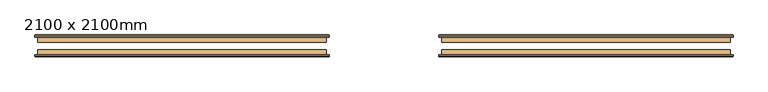
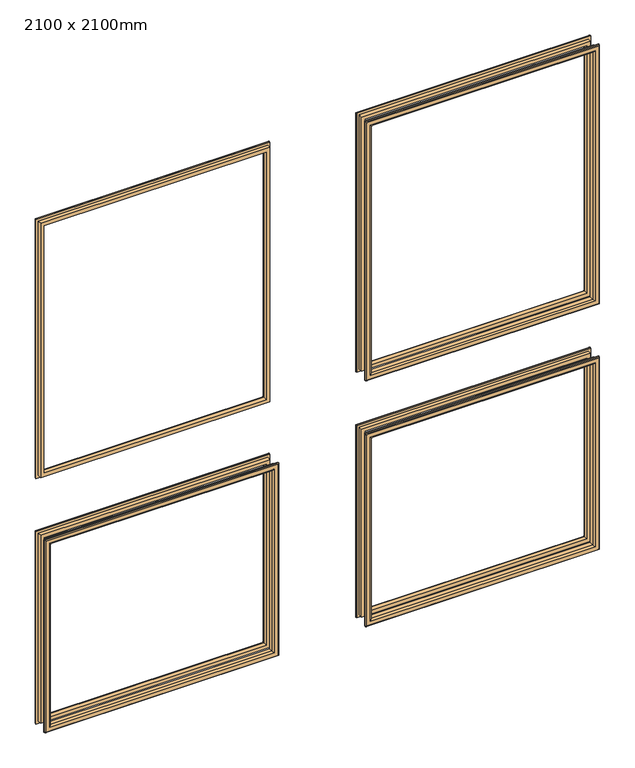
"""IFC4 building model written with IfcOpenShell, lengths in millimetres: door geometry, 2100 x 2100mm."""

from ifc_helpers import new_model, si_unit, frame, origin, place, context, project, spatial, ellipse_curve, source, transform, mapped, element, save
from ifc_brep_helpers import plane_surface, cylinder_surface, advanced_brep


def door_2100_x_2100mm_6a0c21b3(model_context):
    return source(origin(), model_context, "Body", "AdvancedBrep", [
        advanced_brep(
        [(-900.0, 178.85, 900.0), (-900.0, 191.35, 900.0), (-900.0, 191.35, 250.0), (-900.0, 178.85, 250.0), (-888.0, 192.35, 888.0), (-888.0, 178.85, 888.0), (-888.0, 178.85, 262.0), (-888.0, 192.35, 262.0), (-893.0, 197.35, 893.0), (-893.0, 197.35, 257.0), (-908.0, 195.35, 908.0), (-906.0, 197.35, 906.0), (-906.0, 197.35, 244.0), (-908.0, 195.35, 242.0), (-908.0, 191.35, 908.0), (-908.0, 191.35, 242.0), (-150.0, 191.35, 250.0), (-150.0, 178.85, 250.0), (-162.0, 178.85, 262.0), (-162.0, 192.35, 262.0), (-157.0, 197.35, 257.0), (-144.0, 197.35, 244.0), (-142.0, 195.35, 242.0), (-142.0, 191.35, 242.0), (-150.0, 191.35, 900.0), (-150.0, 178.85, 900.0), (-162.0, 178.85, 888.0), (-162.0, 192.35, 888.0), (-157.0, 197.35, 893.0), (-144.0, 197.35, 906.0), (-142.0, 195.35, 908.0), (-142.0, 191.35, 908.0)],
        [
            (0, 1),
            (1, 2),
            (2, 3),
            (3, 0),
            (4, 5),
            (5, 6),
            (6, 7),
            (7, 4),
            (8, 4, ellipse_curve(frame((-893.0, 192.35, 893.0), z_axis=(-0.7071067811865475, 0.0, -0.7071067811865475), x_axis=(-0.7071067811865474, 0.0, 0.7071067811865476)), 7.0710678, 5.0)),
            (7, 9, ellipse_curve(frame((-893.0, 192.35, 257.0), z_axis=(-0.7071067811865475, 0.0, 0.7071067811865475), x_axis=(0.7071067811865474, 0.0, 0.7071067811865476)), 7.0710678, 5.0)),
            (9, 8),
            (10, 11, ellipse_curve(frame((-906.0, 195.35, 906.0), z_axis=(-0.7071067811865475, 0.0, -0.7071067811865475), x_axis=(-0.7071067811865474, 0.0, 0.7071067811865476)), 2.8284271, 2.0)),
            (11, 12),
            (12, 13, ellipse_curve(frame((-906.0, 195.35, 244.0), z_axis=(-0.7071067811865475, 0.0, 0.7071067811865475), x_axis=(0.7071067811865474, 0.0, 0.7071067811865476)), 2.8284271, 2.0)),
            (13, 10),
            (14, 10),
            (13, 15),
            (15, 14),
            (2, 16),
            (16, 17),
            (17, 3),
            (6, 18),
            (18, 19),
            (19, 7),
            (19, 20, ellipse_curve(frame((-157.0, 192.35, 257.0), z_axis=(-0.7071067811865475, 0.0, -0.7071067811865475), x_axis=(-0.7071067811865476, 0.0, 0.7071067811865474)), 7.0710678, 5.0)),
            (20, 9),
            (12, 21),
            (21, 22, ellipse_curve(frame((-144.0, 195.35, 244.0), z_axis=(-0.7071067811865475, 0.0, -0.7071067811865475), x_axis=(-0.7071067811865476, 0.0, 0.7071067811865474)), 2.8284271, 2.0)),
            (22, 13),
            (22, 23),
            (23, 15),
            (16, 24),
            (24, 25),
            (25, 17),
            (18, 26),
            (26, 27),
            (27, 19),
            (27, 28, ellipse_curve(frame((-157.0, 192.35, 893.0), z_axis=(0.7071067811865475, 0.0, -0.7071067811865475), x_axis=(-0.7071067811865474, 0.0, -0.7071067811865476)), 7.0710678, 5.0)),
            (28, 20),
            (21, 29),
            (29, 30, ellipse_curve(frame((-144.0, 195.35, 906.0), z_axis=(0.7071067811865475, 0.0, -0.7071067811865475), x_axis=(-0.7071067811865474, 0.0, -0.7071067811865476)), 2.8284271, 2.0)),
            (30, 22),
            (30, 31),
            (31, 23),
            (31, 14),
            (1, 24),
            (0, 25),
            (5, 26),
            (4, 27),
            (8, 28),
            (11, 29),
            (10, 30),
        ],
        [
            plane_surface(frame((-900.0, 191.35, 900.0), z_axis=(-1.0, 0.0, 0.0), x_axis=(0.0, 0.0, -1.0))),
            plane_surface(frame((-888.0, 178.85, 888.0), z_axis=(1.0, 0.0, 0.0), x_axis=(0.0, 0.0, -1.0))),
            cylinder_surface(frame((-893.0, 192.35, 900.0), z_axis=(0.0, 0.0, 1.0), x_axis=(-1.0, 0.0, 0.0)), 5.0),
            cylinder_surface(frame((-906.0, 195.35, 900.0), z_axis=(0.0, 0.0, 1.0), x_axis=(-1.0, 0.0, 0.0)), 2.0),
            plane_surface(frame((-908.0, 195.35, 908.0), z_axis=(-1.0, 0.0, 0.0), x_axis=(0.0, 0.0, -1.0))),
            plane_surface(frame((-900.0, 191.35, 250.0), z_axis=(0.0, 0.0, -1.0), x_axis=(1.0, 0.0, 0.0))),
            plane_surface(frame((-888.0, 178.85, 262.0), z_axis=(0.0, 0.0, 1.0), x_axis=(1.0, 0.0, 0.0))),
            cylinder_surface(frame((-900.0, 192.35, 257.0), z_axis=(-1.0, 0.0, 0.0), x_axis=(0.0, 0.0, -1.0)), 5.0),
            cylinder_surface(frame((-900.0, 195.35, 244.0), z_axis=(-1.0, 0.0, 0.0), x_axis=(0.0, 0.0, -1.0)), 2.0),
            plane_surface(frame((-908.0, 195.35, 242.0), z_axis=(0.0, 0.0, -1.0), x_axis=(1.0, 0.0, 0.0))),
            plane_surface(frame((-150.0, 191.35, 250.0), z_axis=(1.0, 0.0, 0.0), x_axis=(0.0, 0.0, 1.0))),
            plane_surface(frame((-162.0, 178.85, 262.0), z_axis=(-1.0, 0.0, 0.0), x_axis=(0.0, 0.0, 1.0))),
            cylinder_surface(frame((-157.0, 192.35, 250.0), z_axis=(0.0, 0.0, -1.0), x_axis=(1.0, 0.0, 0.0)), 5.0),
            cylinder_surface(frame((-144.0, 195.35, 250.0), z_axis=(0.0, 0.0, -1.0), x_axis=(1.0, 0.0, 0.0)), 2.0),
            plane_surface(frame((-142.0, 195.35, 242.0), z_axis=(1.0, 0.0, 0.0), x_axis=(0.0, 0.0, 1.0))),
            plane_surface(frame((-142.0, 191.35, 908.0), z_axis=(0.0, -1.0, 0.0), x_axis=(-1.0, 0.0, 0.0))),
            plane_surface(frame((-150.0, 191.35, 900.0), z_axis=(0.0, 0.0, 1.0), x_axis=(-1.0, 0.0, 0.0))),
            plane_surface(frame((-150.0, 178.85, 900.0), z_axis=(0.0, -1.0, 0.0), x_axis=(-1.0, 0.0, 0.0))),
            plane_surface(frame((-162.0, 178.85, 888.0), z_axis=(0.0, 0.0, -1.0), x_axis=(-1.0, 0.0, 0.0))),
            cylinder_surface(frame((-150.0, 192.35, 893.0), z_axis=(1.0, 0.0, 0.0), x_axis=(0.0, 0.0, 1.0)), 5.0),
            plane_surface(frame((-157.0, 197.35, 893.0), z_axis=(0.0, 1.0, 0.0), x_axis=(-1.0, 0.0, 0.0))),
            cylinder_surface(frame((-150.0, 195.35, 906.0), z_axis=(1.0, 0.0, 0.0), x_axis=(0.0, 0.0, 1.0)), 2.0),
            plane_surface(frame((-142.0, 195.35, 908.0), z_axis=(0.0, 0.0, 1.0), x_axis=(-1.0, 0.0, 0.0))),
        ],
        [
            (0, [[1, 2, 3, 4]]),
            (1, [[5, 6, 7, 8]]),
            (2, [[9, -8, 10, 11]]),
            (3, [[12, 13, 14, 15]]),
            (4, [[16, -15, 17, 18]]),
            (5, [[-3, 19, 20, 21]]),
            (6, [[-7, 22, 23, 24]]),
            (7, [[-10, -24, 25, 26]]),
            (8, [[-14, 27, 28, 29]]),
            (9, [[-17, -29, 30, 31]]),
            (10, [[-20, 32, 33, 34]]),
            (11, [[-23, 35, 36, 37]]),
            (12, [[-25, -37, 38, 39]]),
            (13, [[-28, 40, 41, 42]]),
            (14, [[-30, -42, 43, 44]]),
            (15, [[-31, -44, 45, -18], [46, -32, -19, -2]]),
            (16, [[-33, -46, -1, 47]]),
            (17, [[-21, -34, -47, -4], [48, -35, -22, -6]]),
            (18, [[-36, -48, -5, 49]]),
            (19, [[-38, -49, -9, 50]]),
            (20, [[51, -40, -27, -13], [-26, -39, -50, -11]]),
            (21, [[-41, -51, -12, 52]]),
            (22, [[-43, -52, -16, -45]]),
        ],
    ),
        advanced_brep(
        [(150.0, 178.85, 900.0), (150.0, 191.35, 900.0), (150.0, 191.35, 250.0), (150.0, 178.85, 250.0), (162.0, 192.35, 888.0), (162.0, 178.85, 888.0), (162.0, 178.85, 262.0), (162.0, 192.35, 262.0), (157.0, 197.35, 893.0), (157.0, 197.35, 257.0), (142.0, 195.35, 908.0), (144.0, 197.35, 906.0), (144.0, 197.35, 244.0), (142.0, 195.35, 242.0), (142.0, 191.35, 908.0), (142.0, 191.35, 242.0), (900.0, 191.35, 250.0), (900.0, 178.85, 250.0), (888.0, 178.85, 262.0), (888.0, 192.35, 262.0), (893.0, 197.35, 257.0), (906.0, 197.35, 244.0), (908.0, 195.35, 242.0), (908.0, 191.35, 242.0), (900.0, 191.35, 900.0), (900.0, 178.85, 900.0), (888.0, 178.85, 888.0), (888.0, 192.35, 888.0), (893.0, 197.35, 893.0), (906.0, 197.35, 906.0), (908.0, 195.35, 908.0), (908.0, 191.35, 908.0)],
        [
            (0, 1),
            (1, 2),
            (2, 3),
            (3, 0),
            (4, 5),
            (5, 6),
            (6, 7),
            (7, 4),
            (8, 4, ellipse_curve(frame((157.0, 192.35, 893.0), z_axis=(-0.7071067811865475, 0.0, -0.7071067811865475), x_axis=(-0.7071067811865474, 0.0, 0.7071067811865476)), 7.0710678, 5.0)),
            (7, 9, ellipse_curve(frame((157.0, 192.35, 257.0), z_axis=(-0.7071067811865475, 0.0, 0.7071067811865475), x_axis=(0.7071067811865474, 0.0, 0.7071067811865476)), 7.0710678, 5.0)),
            (9, 8),
            (10, 11, ellipse_curve(frame((144.0, 195.35, 906.0), z_axis=(-0.7071067811865475, 0.0, -0.7071067811865475), x_axis=(-0.7071067811865474, 0.0, 0.7071067811865476)), 2.8284271, 2.0)),
            (11, 12),
            (12, 13, ellipse_curve(frame((144.0, 195.35, 244.0), z_axis=(-0.7071067811865475, 0.0, 0.7071067811865475), x_axis=(0.7071067811865474, 0.0, 0.7071067811865476)), 2.8284271, 2.0)),
            (13, 10),
            (14, 10),
            (13, 15),
            (15, 14),
            (2, 16),
            (16, 17),
            (17, 3),
            (6, 18),
            (18, 19),
            (19, 7),
            (19, 20, ellipse_curve(frame((893.0, 192.35, 257.0), z_axis=(-0.7071067811865475, 0.0, -0.7071067811865475), x_axis=(-0.7071067811865476, 0.0, 0.7071067811865474)), 7.0710678, 5.0)),
            (20, 9),
            (12, 21),
            (21, 22, ellipse_curve(frame((906.0, 195.35, 244.0), z_axis=(-0.7071067811865475, 0.0, -0.7071067811865475), x_axis=(-0.7071067811865476, 0.0, 0.7071067811865474)), 2.8284271, 2.0)),
            (22, 13),
            (22, 23),
            (23, 15),
            (16, 24),
            (24, 25),
            (25, 17),
            (18, 26),
            (26, 27),
            (27, 19),
            (27, 28, ellipse_curve(frame((893.0, 192.35, 893.0), z_axis=(0.7071067811865475, 0.0, -0.7071067811865475), x_axis=(-0.7071067811865474, 0.0, -0.7071067811865476)), 7.0710678, 5.0)),
            (28, 20),
            (21, 29),
            (29, 30, ellipse_curve(frame((906.0, 195.35, 906.0), z_axis=(0.7071067811865475, 0.0, -0.7071067811865475), x_axis=(-0.7071067811865474, 0.0, -0.7071067811865476)), 2.8284271, 2.0)),
            (30, 22),
            (30, 31),
            (31, 23),
            (31, 14),
            (1, 24),
            (0, 25),
            (5, 26),
            (4, 27),
            (8, 28),
            (11, 29),
            (10, 30),
        ],
        [
            plane_surface(frame((150.0, 191.35, 900.0), z_axis=(-1.0, 0.0, 0.0), x_axis=(0.0, 0.0, -1.0))),
            plane_surface(frame((162.0, 178.85, 888.0), z_axis=(1.0, 0.0, 0.0), x_axis=(0.0, 0.0, -1.0))),
            cylinder_surface(frame((157.0, 192.35, 900.0), z_axis=(0.0, 0.0, 1.0), x_axis=(-1.0, 0.0, 0.0)), 5.0),
            cylinder_surface(frame((144.0, 195.35, 900.0), z_axis=(0.0, 0.0, 1.0), x_axis=(-1.0, 0.0, 0.0)), 2.0),
            plane_surface(frame((142.0, 195.35, 908.0), z_axis=(-1.0, 0.0, 0.0), x_axis=(0.0, 0.0, -1.0))),
            plane_surface(frame((150.0, 191.35, 250.0), z_axis=(0.0, 0.0, -1.0), x_axis=(1.0, 0.0, 0.0))),
            plane_surface(frame((162.0, 178.85, 262.0), z_axis=(0.0, 0.0, 1.0), x_axis=(1.0, 0.0, 0.0))),
            cylinder_surface(frame((150.0, 192.35, 257.0), z_axis=(-1.0, 0.0, 0.0), x_axis=(0.0, 0.0, -1.0)), 5.0),
            cylinder_surface(frame((150.0, 195.35, 244.0), z_axis=(-1.0, 0.0, 0.0), x_axis=(0.0, 0.0, -1.0)), 2.0),
            plane_surface(frame((142.0, 195.35, 242.0), z_axis=(0.0, 0.0, -1.0), x_axis=(1.0, 0.0, 0.0))),
            plane_surface(frame((900.0, 191.35, 250.0), z_axis=(1.0, 0.0, 0.0), x_axis=(0.0, 0.0, 1.0))),
            plane_surface(frame((888.0, 178.85, 262.0), z_axis=(-1.0, 0.0, 0.0), x_axis=(0.0, 0.0, 1.0))),
            cylinder_surface(frame((893.0, 192.35, 250.0), z_axis=(0.0, 0.0, -1.0), x_axis=(1.0, 0.0, 0.0)), 5.0),
            cylinder_surface(frame((906.0, 195.35, 250.0), z_axis=(0.0, 0.0, -1.0), x_axis=(1.0, 0.0, 0.0)), 2.0),
            plane_surface(frame((908.0, 195.35, 242.0), z_axis=(1.0, 0.0, 0.0), x_axis=(0.0, 0.0, 1.0))),
            plane_surface(frame((908.0, 191.35, 908.0), z_axis=(0.0, -1.0, 0.0), x_axis=(-1.0, 0.0, 0.0))),
            plane_surface(frame((900.0, 191.35, 900.0), z_axis=(0.0, 0.0, 1.0), x_axis=(-1.0, 0.0, 0.0))),
            plane_surface(frame((900.0, 178.85, 900.0), z_axis=(0.0, -1.0, 0.0), x_axis=(-1.0, 0.0, 0.0))),
            plane_surface(frame((888.0, 178.85, 888.0), z_axis=(0.0, 0.0, -1.0), x_axis=(-1.0, 0.0, 0.0))),
            cylinder_surface(frame((900.0, 192.35, 893.0), z_axis=(1.0, 0.0, 0.0), x_axis=(0.0, 0.0, 1.0)), 5.0),
            plane_surface(frame((893.0, 197.35, 893.0), z_axis=(0.0, 1.0, 0.0), x_axis=(-1.0, 0.0, 0.0))),
            cylinder_surface(frame((900.0, 195.35, 906.0), z_axis=(1.0, 0.0, 0.0), x_axis=(0.0, 0.0, 1.0)), 2.0),
            plane_surface(frame((908.0, 195.35, 908.0), z_axis=(0.0, 0.0, 1.0), x_axis=(-1.0, 0.0, 0.0))),
        ],
        [
            (0, [[1, 2, 3, 4]]),
            (1, [[5, 6, 7, 8]]),
            (2, [[9, -8, 10, 11]]),
            (3, [[12, 13, 14, 15]]),
            (4, [[16, -15, 17, 18]]),
            (5, [[-3, 19, 20, 21]]),
            (6, [[-7, 22, 23, 24]]),
            (7, [[-10, -24, 25, 26]]),
            (8, [[-14, 27, 28, 29]]),
            (9, [[-17, -29, 30, 31]]),
            (10, [[-20, 32, 33, 34]]),
            (11, [[-23, 35, 36, 37]]),
            (12, [[-25, -37, 38, 39]]),
            (13, [[-28, 40, 41, 42]]),
            (14, [[-30, -42, 43, 44]]),
            (15, [[-31, -44, 45, -18], [46, -32, -19, -2]]),
            (16, [[-33, -46, -1, 47]]),
            (17, [[-21, -34, -47, -4], [48, -35, -22, -6]]),
            (18, [[-36, -48, -5, 49]]),
            (19, [[-38, -49, -9, 50]]),
            (20, [[51, -40, -27, -13], [-26, -39, -50, -11]]),
            (21, [[-41, -51, -12, 52]]),
            (22, [[-43, -52, -16, -45]]),
        ],
    ),
        advanced_brep(
        [(150.0, 178.85, 1980.0), (150.0, 191.35, 1980.0), (150.0, 191.35, 1100.0), (150.0, 178.85, 1100.0), (162.0, 192.35, 1968.0), (162.0, 178.85, 1968.0), (162.0, 178.85, 1112.0), (162.0, 192.35, 1112.0), (157.0, 197.35, 1973.0), (157.0, 197.35, 1107.0), (142.0, 195.35, 1988.0), (144.0, 197.35, 1986.0), (144.0, 197.35, 1094.0), (142.0, 195.35, 1092.0), (142.0, 191.35, 1988.0), (142.0, 191.35, 1092.0), (900.0, 191.35, 1100.0), (900.0, 178.85, 1100.0), (888.0, 178.85, 1112.0), (888.0, 192.35, 1112.0), (893.0, 197.35, 1107.0), (906.0, 197.35, 1094.0), (908.0, 195.35, 1092.0), (908.0, 191.35, 1092.0), (900.0, 191.35, 1980.0), (900.0, 178.85, 1980.0), (888.0, 178.85, 1968.0), (888.0, 192.35, 1968.0), (893.0, 197.35, 1973.0), (906.0, 197.35, 1986.0), (908.0, 195.35, 1988.0), (908.0, 191.35, 1988.0)],
        [
            (0, 1),
            (1, 2),
            (2, 3),
            (3, 0),
            (4, 5),
            (5, 6),
            (6, 7),
            (7, 4),
            (8, 4, ellipse_curve(frame((157.0, 192.35, 1973.0), z_axis=(-0.7071067811865475, 0.0, -0.7071067811865475), x_axis=(-0.7071067811865474, 0.0, 0.7071067811865476)), 7.0710678, 5.0)),
            (7, 9, ellipse_curve(frame((157.0, 192.35, 1107.0), z_axis=(-0.7071067811865475, 0.0, 0.7071067811865475), x_axis=(0.7071067811865474, 0.0, 0.7071067811865476)), 7.0710678, 5.0)),
            (9, 8),
            (10, 11, ellipse_curve(frame((144.0, 195.35, 1986.0), z_axis=(-0.7071067811865475, 0.0, -0.7071067811865475), x_axis=(-0.7071067811865474, 0.0, 0.7071067811865476)), 2.8284271, 2.0)),
            (11, 12),
            (12, 13, ellipse_curve(frame((144.0, 195.35, 1094.0), z_axis=(-0.7071067811865475, 0.0, 0.7071067811865475), x_axis=(0.7071067811865474, 0.0, 0.7071067811865476)), 2.8284271, 2.0)),
            (13, 10),
            (14, 10),
            (13, 15),
            (15, 14),
            (2, 16),
            (16, 17),
            (17, 3),
            (6, 18),
            (18, 19),
            (19, 7),
            (19, 20, ellipse_curve(frame((893.0, 192.35, 1107.0), z_axis=(-0.7071067811865475, 0.0, -0.7071067811865475), x_axis=(-0.7071067811865476, 0.0, 0.7071067811865474)), 7.0710678, 5.0)),
            (20, 9),
            (12, 21),
            (21, 22, ellipse_curve(frame((906.0, 195.35, 1094.0), z_axis=(-0.7071067811865475, 0.0, -0.7071067811865475), x_axis=(-0.7071067811865476, 0.0, 0.7071067811865474)), 2.8284271, 2.0)),
            (22, 13),
            (22, 23),
            (23, 15),
            (16, 24),
            (24, 25),
            (25, 17),
            (18, 26),
            (26, 27),
            (27, 19),
            (27, 28, ellipse_curve(frame((893.0, 192.35, 1973.0), z_axis=(0.7071067811865475, 0.0, -0.7071067811865475), x_axis=(-0.7071067811865474, 0.0, -0.7071067811865476)), 7.0710678, 5.0)),
            (28, 20),
            (21, 29),
            (29, 30, ellipse_curve(frame((906.0, 195.35, 1986.0), z_axis=(0.7071067811865475, 0.0, -0.7071067811865475), x_axis=(-0.7071067811865474, 0.0, -0.7071067811865476)), 2.8284271, 2.0)),
            (30, 22),
            (30, 31),
            (31, 23),
            (31, 14),
            (1, 24),
            (0, 25),
            (5, 26),
            (4, 27),
            (8, 28),
            (11, 29),
            (10, 30),
        ],
        [
            plane_surface(frame((150.0, 191.35, 1980.0), z_axis=(-1.0, 0.0, 0.0), x_axis=(0.0, 0.0, -1.0))),
            plane_surface(frame((162.0, 178.85, 1968.0), z_axis=(1.0, 0.0, 0.0), x_axis=(0.0, 0.0, -1.0))),
            cylinder_surface(frame((157.0, 192.35, 1980.0), z_axis=(0.0, 0.0, 1.0), x_axis=(-1.0, 0.0, 0.0)), 5.0),
            cylinder_surface(frame((144.0, 195.35, 1980.0), z_axis=(0.0, 0.0, 1.0), x_axis=(-1.0, 0.0, 0.0)), 2.0),
            plane_surface(frame((142.0, 195.35, 1988.0), z_axis=(-1.0, 0.0, 0.0), x_axis=(0.0, 0.0, -1.0))),
            plane_surface(frame((150.0, 191.35, 1100.0), z_axis=(0.0, 0.0, -1.0), x_axis=(1.0, 0.0, 0.0))),
            plane_surface(frame((162.0, 178.85, 1112.0), z_axis=(0.0, 0.0, 1.0), x_axis=(1.0, 0.0, 0.0))),
            cylinder_surface(frame((150.0, 192.35, 1107.0), z_axis=(-1.0, 0.0, 0.0), x_axis=(0.0, 0.0, -1.0)), 5.0),
            cylinder_surface(frame((150.0, 195.35, 1094.0), z_axis=(-1.0, 0.0, 0.0), x_axis=(0.0, 0.0, -1.0)), 2.0),
            plane_surface(frame((142.0, 195.35, 1092.0), z_axis=(0.0, 0.0, -1.0), x_axis=(1.0, 0.0, 0.0))),
            plane_surface(frame((900.0, 191.35, 1100.0), z_axis=(1.0, 0.0, 0.0), x_axis=(0.0, 0.0, 1.0))),
            plane_surface(frame((888.0, 178.85, 1112.0), z_axis=(-1.0, 0.0, 0.0), x_axis=(0.0, 0.0, 1.0))),
            cylinder_surface(frame((893.0, 192.35, 1100.0), z_axis=(0.0, 0.0, -1.0), x_axis=(1.0, 0.0, 0.0)), 5.0),
            cylinder_surface(frame((906.0, 195.35, 1100.0), z_axis=(0.0, 0.0, -1.0), x_axis=(1.0, 0.0, 0.0)), 2.0),
            plane_surface(frame((908.0, 195.35, 1092.0), z_axis=(1.0, 0.0, 0.0), x_axis=(0.0, 0.0, 1.0))),
            plane_surface(frame((908.0, 191.35, 1988.0), z_axis=(0.0, -1.0, 0.0), x_axis=(-1.0, 0.0, 0.0))),
            plane_surface(frame((900.0, 191.35, 1980.0), z_axis=(0.0, 0.0, 1.0), x_axis=(-1.0, 0.0, 0.0))),
            plane_surface(frame((900.0, 178.85, 1980.0), z_axis=(0.0, -1.0, 0.0), x_axis=(-1.0, 0.0, 0.0))),
            plane_surface(frame((888.0, 178.85, 1968.0), z_axis=(0.0, 0.0, -1.0), x_axis=(-1.0, 0.0, 0.0))),
            cylinder_surface(frame((900.0, 192.35, 1973.0), z_axis=(1.0, 0.0, 0.0), x_axis=(0.0, 0.0, 1.0)), 5.0),
            plane_surface(frame((893.0, 197.35, 1973.0), z_axis=(0.0, 1.0, 0.0), x_axis=(-1.0, 0.0, 0.0))),
            cylinder_surface(frame((900.0, 195.35, 1986.0), z_axis=(1.0, 0.0, 0.0), x_axis=(0.0, 0.0, 1.0)), 2.0),
            plane_surface(frame((908.0, 195.35, 1988.0), z_axis=(0.0, 0.0, 1.0), x_axis=(-1.0, 0.0, 0.0))),
        ],
        [
            (0, [[1, 2, 3, 4]]),
            (1, [[5, 6, 7, 8]]),
            (2, [[9, -8, 10, 11]]),
            (3, [[12, 13, 14, 15]]),
            (4, [[16, -15, 17, 18]]),
            (5, [[-3, 19, 20, 21]]),
            (6, [[-7, 22, 23, 24]]),
            (7, [[-10, -24, 25, 26]]),
            (8, [[-14, 27, 28, 29]]),
            (9, [[-17, -29, 30, 31]]),
            (10, [[-20, 32, 33, 34]]),
            (11, [[-23, 35, 36, 37]]),
            (12, [[-25, -37, 38, 39]]),
            (13, [[-28, 40, 41, 42]]),
            (14, [[-30, -42, 43, 44]]),
            (15, [[-31, -44, 45, -18], [46, -32, -19, -2]]),
            (16, [[-33, -46, -1, 47]]),
            (17, [[-21, -34, -47, -4], [48, -35, -22, -6]]),
            (18, [[-36, -48, -5, 49]]),
            (19, [[-38, -49, -9, 50]]),
            (20, [[51, -40, -27, -13], [-26, -39, -50, -11]]),
            (21, [[-41, -51, -12, 52]]),
            (22, [[-43, -52, -16, -45]]),
        ],
    ),
        advanced_brep(
        [(-900.0, 178.85, 1980.0), (-900.0, 191.35, 1980.0), (-900.0, 191.35, 1100.0), (-900.0, 178.85, 1100.0), (-888.0, 192.35, 1968.0), (-888.0, 178.85, 1968.0), (-888.0, 178.85, 1112.0), (-888.0, 192.35, 1112.0), (-893.0, 197.35, 1973.0), (-893.0, 197.35, 1107.0), (-908.0, 195.35, 1988.0), (-906.0, 197.35, 1986.0), (-906.0, 197.35, 1094.0), (-908.0, 195.35, 1092.0), (-908.0, 191.35, 1988.0), (-908.0, 191.35, 1092.0), (-150.0, 191.35, 1100.0), (-150.0, 178.85, 1100.0), (-162.0, 178.85, 1112.0), (-162.0, 192.35, 1112.0), (-157.0, 197.35, 1107.0), (-144.0, 197.35, 1094.0), (-142.0, 195.35, 1092.0), (-142.0, 191.35, 1092.0), (-150.0, 191.35, 1980.0), (-150.0, 178.85, 1980.0), (-162.0, 178.85, 1968.0), (-162.0, 192.35, 1968.0), (-157.0, 197.35, 1973.0), (-144.0, 197.35, 1986.0), (-142.0, 195.35, 1988.0), (-142.0, 191.35, 1988.0)],
        [
            (0, 1),
            (1, 2),
            (2, 3),
            (3, 0),
            (4, 5),
            (5, 6),
            (6, 7),
            (7, 4),
            (8, 4, ellipse_curve(frame((-893.0, 192.35, 1973.0), z_axis=(-0.7071067811865475, 0.0, -0.7071067811865475), x_axis=(-0.7071067811865474, 0.0, 0.7071067811865476)), 7.0710678, 5.0)),
            (7, 9, ellipse_curve(frame((-893.0, 192.35, 1107.0), z_axis=(-0.7071067811865475, 0.0, 0.7071067811865475), x_axis=(0.7071067811865474, 0.0, 0.7071067811865476)), 7.0710678, 5.0)),
            (9, 8),
            (10, 11, ellipse_curve(frame((-906.0, 195.35, 1986.0), z_axis=(-0.7071067811865475, 0.0, -0.7071067811865475), x_axis=(-0.7071067811865474, 0.0, 0.7071067811865476)), 2.8284271, 2.0)),
            (11, 12),
            (12, 13, ellipse_curve(frame((-906.0, 195.35, 1094.0), z_axis=(-0.7071067811865475, 0.0, 0.7071067811865475), x_axis=(0.7071067811865474, 0.0, 0.7071067811865476)), 2.8284271, 2.0)),
            (13, 10),
            (14, 10),
            (13, 15),
            (15, 14),
            (2, 16),
            (16, 17),
            (17, 3),
            (6, 18),
            (18, 19),
            (19, 7),
            (19, 20, ellipse_curve(frame((-157.0, 192.35, 1107.0), z_axis=(-0.7071067811865475, 0.0, -0.7071067811865475), x_axis=(-0.7071067811865476, 0.0, 0.7071067811865474)), 7.0710678, 5.0)),
            (20, 9),
            (12, 21),
            (21, 22, ellipse_curve(frame((-144.0, 195.35, 1094.0), z_axis=(-0.7071067811865475, 0.0, -0.7071067811865475), x_axis=(-0.7071067811865476, 0.0, 0.7071067811865474)), 2.8284271, 2.0)),
            (22, 13),
            (22, 23),
            (23, 15),
            (16, 24),
            (24, 25),
            (25, 17),
            (18, 26),
            (26, 27),
            (27, 19),
            (27, 28, ellipse_curve(frame((-157.0, 192.35, 1973.0), z_axis=(0.7071067811865475, 0.0, -0.7071067811865475), x_axis=(-0.7071067811865474, 0.0, -0.7071067811865476)), 7.0710678, 5.0)),
            (28, 20),
            (21, 29),
            (29, 30, ellipse_curve(frame((-144.0, 195.35, 1986.0), z_axis=(0.7071067811865475, 0.0, -0.7071067811865475), x_axis=(-0.7071067811865474, 0.0, -0.7071067811865476)), 2.8284271, 2.0)),
            (30, 22),
            (30, 31),
            (31, 23),
            (31, 14),
            (1, 24),
            (0, 25),
            (5, 26),
            (4, 27),
            (8, 28),
            (11, 29),
            (10, 30),
        ],
        [
            plane_surface(frame((-900.0, 191.35, 1980.0), z_axis=(-1.0, 0.0, 0.0), x_axis=(0.0, 0.0, -1.0))),
            plane_surface(frame((-888.0, 178.85, 1968.0), z_axis=(1.0, 0.0, 0.0), x_axis=(0.0, 0.0, -1.0))),
            cylinder_surface(frame((-893.0, 192.35, 1980.0), z_axis=(0.0, 0.0, 1.0), x_axis=(-1.0, 0.0, 0.0)), 5.0),
            cylinder_surface(frame((-906.0, 195.35, 1980.0), z_axis=(0.0, 0.0, 1.0), x_axis=(-1.0, 0.0, 0.0)), 2.0),
            plane_surface(frame((-908.0, 195.35, 1988.0), z_axis=(-1.0, 0.0, 0.0), x_axis=(0.0, 0.0, -1.0))),
            plane_surface(frame((-900.0, 191.35, 1100.0), z_axis=(0.0, 0.0, -1.0), x_axis=(1.0, 0.0, 0.0))),
            plane_surface(frame((-888.0, 178.85, 1112.0), z_axis=(0.0, 0.0, 1.0), x_axis=(1.0, 0.0, 0.0))),
            cylinder_surface(frame((-900.0, 192.35, 1107.0), z_axis=(-1.0, 0.0, 0.0), x_axis=(0.0, 0.0, -1.0)), 5.0),
            cylinder_surface(frame((-900.0, 195.35, 1094.0), z_axis=(-1.0, 0.0, 0.0), x_axis=(0.0, 0.0, -1.0)), 2.0),
            plane_surface(frame((-908.0, 195.35, 1092.0), z_axis=(0.0, 0.0, -1.0), x_axis=(1.0, 0.0, 0.0))),
            plane_surface(frame((-150.0, 191.35, 1100.0), z_axis=(1.0, 0.0, 0.0), x_axis=(0.0, 0.0, 1.0))),
            plane_surface(frame((-162.0, 178.85, 1112.0), z_axis=(-1.0, 0.0, 0.0), x_axis=(0.0, 0.0, 1.0))),
            cylinder_surface(frame((-157.0, 192.35, 1100.0), z_axis=(0.0, 0.0, -1.0), x_axis=(1.0, 0.0, 0.0)), 5.0),
            cylinder_surface(frame((-144.0, 195.35, 1100.0), z_axis=(0.0, 0.0, -1.0), x_axis=(1.0, 0.0, 0.0)), 2.0),
            plane_surface(frame((-142.0, 195.35, 1092.0), z_axis=(1.0, 0.0, 0.0), x_axis=(0.0, 0.0, 1.0))),
            plane_surface(frame((-142.0, 191.35, 1988.0), z_axis=(0.0, -1.0, 0.0), x_axis=(-1.0, 0.0, 0.0))),
            plane_surface(frame((-150.0, 191.35, 1980.0), z_axis=(0.0, 0.0, 1.0), x_axis=(-1.0, 0.0, 0.0))),
            plane_surface(frame((-150.0, 178.85, 1980.0), z_axis=(0.0, -1.0, 0.0), x_axis=(-1.0, 0.0, 0.0))),
            plane_surface(frame((-162.0, 178.85, 1968.0), z_axis=(0.0, 0.0, -1.0), x_axis=(-1.0, 0.0, 0.0))),
            cylinder_surface(frame((-150.0, 192.35, 1973.0), z_axis=(1.0, 0.0, 0.0), x_axis=(0.0, 0.0, 1.0)), 5.0),
            plane_surface(frame((-157.0, 197.35, 1973.0), z_axis=(0.0, 1.0, 0.0), x_axis=(-1.0, 0.0, 0.0))),
            cylinder_surface(frame((-150.0, 195.35, 1986.0), z_axis=(1.0, 0.0, 0.0), x_axis=(0.0, 0.0, 1.0)), 2.0),
            plane_surface(frame((-142.0, 195.35, 1988.0), z_axis=(0.0, 0.0, 1.0), x_axis=(-1.0, 0.0, 0.0))),
        ],
        [
            (0, [[1, 2, 3, 4]]),
            (1, [[5, 6, 7, 8]]),
            (2, [[9, -8, 10, 11]]),
            (3, [[12, 13, 14, 15]]),
            (4, [[16, -15, 17, 18]]),
            (5, [[-3, 19, 20, 21]]),
            (6, [[-7, 22, 23, 24]]),
            (7, [[-10, -24, 25, 26]]),
            (8, [[-14, 27, 28, 29]]),
            (9, [[-17, -29, 30, 31]]),
            (10, [[-20, 32, 33, 34]]),
            (11, [[-23, 35, 36, 37]]),
            (12, [[-25, -37, 38, 39]]),
            (13, [[-28, 40, 41, 42]]),
            (14, [[-30, -42, 43, 44]]),
            (15, [[-31, -44, 45, -18], [46, -32, -19, -2]]),
            (16, [[-33, -46, -1, 47]]),
            (17, [[-21, -34, -47, -4], [48, -35, -22, -6]]),
            (18, [[-36, -48, -5, 49]]),
            (19, [[-38, -49, -9, 50]]),
            (20, [[51, -40, -27, -13], [-26, -39, -50, -11]]),
            (21, [[-41, -51, -12, 52]]),
            (22, [[-43, -52, -16, -45]]),
        ],
    ),
        advanced_brep(
        [(-900.0, 158.85, 250.0), (-900.0, 146.35, 250.0), (-900.0, 146.35, 900.0), (-900.0, 158.85, 900.0), (-888.0, 145.35, 262.0), (-888.0, 158.85, 262.0), (-888.0, 158.85, 888.0), (-888.0, 145.35, 888.0), (-893.0, 140.35, 257.0), (-893.0, 140.35, 893.0), (-908.0, 142.35, 242.0), (-906.0, 140.35, 244.0), (-906.0, 140.35, 906.0), (-908.0, 142.35, 908.0), (-908.0, 146.35, 242.0), (-908.0, 146.35, 908.0), (-150.0, 146.35, 900.0), (-150.0, 158.85, 900.0), (-162.0, 158.85, 888.0), (-162.0, 145.35, 888.0), (-157.0, 140.35, 893.0), (-144.0, 140.35, 906.0), (-142.0, 142.35, 908.0), (-142.0, 146.35, 908.0), (-150.0, 146.35, 250.0), (-150.0, 158.85, 250.0), (-162.0, 158.85, 262.0), (-162.0, 145.35, 262.0), (-157.0, 140.35, 257.0), (-144.0, 140.35, 244.0), (-142.0, 142.35, 242.0), (-142.0, 146.35, 242.0)],
        [
            (0, 1),
            (1, 2),
            (2, 3),
            (3, 0),
            (4, 5),
            (5, 6),
            (6, 7),
            (7, 4),
            (8, 4, ellipse_curve(frame((-893.0, 145.35, 257.0), z_axis=(-0.7071067811865475, 0.0, 0.7071067811865475), x_axis=(-0.7071067811865474, 0.0, -0.7071067811865476)), 7.0710678, 5.0)),
            (7, 9, ellipse_curve(frame((-893.0, 145.35, 893.0), z_axis=(-0.7071067811865475, 0.0, -0.7071067811865475), x_axis=(0.7071067811865474, 0.0, -0.7071067811865476)), 7.0710678, 5.0)),
            (9, 8),
            (10, 11, ellipse_curve(frame((-906.0, 142.35, 244.0), z_axis=(-0.7071067811865475, 0.0, 0.7071067811865475), x_axis=(-0.7071067811865474, 0.0, -0.7071067811865476)), 2.8284271, 2.0)),
            (11, 12),
            (12, 13, ellipse_curve(frame((-906.0, 142.35, 906.0), z_axis=(-0.7071067811865475, 0.0, -0.7071067811865475), x_axis=(0.7071067811865474, 0.0, -0.7071067811865476)), 2.8284271, 2.0)),
            (13, 10),
            (14, 10),
            (13, 15),
            (15, 14),
            (2, 16),
            (16, 17),
            (17, 3),
            (6, 18),
            (18, 19),
            (19, 7),
            (19, 20, ellipse_curve(frame((-157.0, 145.35, 893.0), z_axis=(-0.7071067811865475, 0.0, 0.7071067811865475), x_axis=(-0.7071067811865476, 0.0, -0.7071067811865474)), 7.0710678, 5.0)),
            (20, 9),
            (12, 21),
            (21, 22, ellipse_curve(frame((-144.0, 142.35, 906.0), z_axis=(-0.7071067811865475, 0.0, 0.7071067811865475), x_axis=(-0.7071067811865476, 0.0, -0.7071067811865474)), 2.8284271, 2.0)),
            (22, 13),
            (22, 23),
            (23, 15),
            (16, 24),
            (24, 25),
            (25, 17),
            (18, 26),
            (26, 27),
            (27, 19),
            (27, 28, ellipse_curve(frame((-157.0, 145.35, 257.0), z_axis=(0.7071067811865475, 0.0, 0.7071067811865475), x_axis=(-0.7071067811865474, 0.0, 0.7071067811865476)), 7.0710678, 5.0)),
            (28, 20),
            (21, 29),
            (29, 30, ellipse_curve(frame((-144.0, 142.35, 244.0), z_axis=(0.7071067811865475, 0.0, 0.7071067811865475), x_axis=(-0.7071067811865474, 0.0, 0.7071067811865476)), 2.8284271, 2.0)),
            (30, 22),
            (30, 31),
            (31, 23),
            (31, 14),
            (1, 24),
            (0, 25),
            (5, 26),
            (4, 27),
            (8, 28),
            (11, 29),
            (10, 30),
        ],
        [
            plane_surface(frame((-900.0, 146.35, 250.0), z_axis=(-1.0, 0.0, 0.0), x_axis=(0.0, 0.0, 1.0))),
            plane_surface(frame((-888.0, 158.85, 262.0), z_axis=(1.0, 0.0, 0.0), x_axis=(0.0, 0.0, 1.0))),
            cylinder_surface(frame((-893.0, 145.35, 250.0), z_axis=(0.0, 0.0, -1.0), x_axis=(-1.0, 0.0, 0.0)), 5.0),
            cylinder_surface(frame((-906.0, 142.35, 250.0), z_axis=(0.0, 0.0, -1.0), x_axis=(-1.0, 0.0, 0.0)), 2.0),
            plane_surface(frame((-908.0, 142.35, 242.0), z_axis=(-1.0, 0.0, 0.0), x_axis=(0.0, 0.0, 1.0))),
            plane_surface(frame((-900.0, 146.35, 900.0), z_axis=(0.0, 0.0, 1.0), x_axis=(1.0, 0.0, 0.0))),
            plane_surface(frame((-888.0, 158.85, 888.0), z_axis=(0.0, 0.0, -1.0), x_axis=(1.0, 0.0, 0.0))),
            cylinder_surface(frame((-900.0, 145.35, 893.0), z_axis=(-1.0, 0.0, 0.0), x_axis=(0.0, 0.0, 1.0)), 5.0),
            cylinder_surface(frame((-900.0, 142.35, 906.0), z_axis=(-1.0, 0.0, 0.0), x_axis=(0.0, 0.0, 1.0)), 2.0),
            plane_surface(frame((-908.0, 142.35, 908.0), z_axis=(0.0, 0.0, 1.0), x_axis=(1.0, 0.0, 0.0))),
            plane_surface(frame((-150.0, 146.35, 900.0), z_axis=(1.0, 0.0, 0.0), x_axis=(0.0, 0.0, -1.0))),
            plane_surface(frame((-162.0, 158.85, 888.0), z_axis=(-1.0, 0.0, 0.0), x_axis=(0.0, 0.0, -1.0))),
            cylinder_surface(frame((-157.0, 145.35, 900.0), z_axis=(0.0, 0.0, 1.0), x_axis=(1.0, 0.0, 0.0)), 5.0),
            cylinder_surface(frame((-144.0, 142.35, 900.0), z_axis=(0.0, 0.0, 1.0), x_axis=(1.0, 0.0, 0.0)), 2.0),
            plane_surface(frame((-142.0, 142.35, 908.0), z_axis=(1.0, 0.0, 0.0), x_axis=(0.0, 0.0, -1.0))),
            plane_surface(frame((-142.0, 146.35, 242.0), z_axis=(0.0, 1.0, 0.0), x_axis=(-1.0, 0.0, 0.0))),
            plane_surface(frame((-150.0, 146.35, 250.0), z_axis=(0.0, 0.0, -1.0), x_axis=(-1.0, 0.0, 0.0))),
            plane_surface(frame((-150.0, 158.85, 250.0), z_axis=(0.0, 1.0, 0.0), x_axis=(-1.0, 0.0, 0.0))),
            plane_surface(frame((-162.0, 158.85, 262.0), z_axis=(0.0, 0.0, 1.0), x_axis=(-1.0, 0.0, 0.0))),
            cylinder_surface(frame((-150.0, 145.35, 257.0), z_axis=(1.0, 0.0, 0.0), x_axis=(0.0, 0.0, -1.0)), 5.0),
            plane_surface(frame((-157.0, 140.35, 257.0), z_axis=(0.0, -1.0, 0.0), x_axis=(-1.0, 0.0, 0.0))),
            cylinder_surface(frame((-150.0, 142.35, 244.0), z_axis=(1.0, 0.0, 0.0), x_axis=(0.0, 0.0, -1.0)), 2.0),
            plane_surface(frame((-142.0, 142.35, 242.0), z_axis=(0.0, 0.0, -1.0), x_axis=(-1.0, 0.0, 0.0))),
        ],
        [
            (0, [[1, 2, 3, 4]]),
            (1, [[5, 6, 7, 8]]),
            (2, [[9, -8, 10, 11]]),
            (3, [[12, 13, 14, 15]]),
            (4, [[16, -15, 17, 18]]),
            (5, [[-3, 19, 20, 21]]),
            (6, [[-7, 22, 23, 24]]),
            (7, [[-10, -24, 25, 26]]),
            (8, [[-14, 27, 28, 29]]),
            (9, [[-17, -29, 30, 31]]),
            (10, [[-20, 32, 33, 34]]),
            (11, [[-23, 35, 36, 37]]),
            (12, [[-25, -37, 38, 39]]),
            (13, [[-28, 40, 41, 42]]),
            (14, [[-30, -42, 43, 44]]),
            (15, [[-31, -44, 45, -18], [46, -32, -19, -2]]),
            (16, [[-33, -46, -1, 47]]),
            (17, [[-21, -34, -47, -4], [48, -35, -22, -6]]),
            (18, [[-36, -48, -5, 49]]),
            (19, [[-38, -49, -9, 50]]),
            (20, [[51, -40, -27, -13], [-26, -39, -50, -11]]),
            (21, [[-41, -51, -12, 52]]),
            (22, [[-43, -52, -16, -45]]),
        ],
    ),
        advanced_brep(
        [(150.0, 158.85, 250.0), (150.0, 146.35, 250.0), (150.0, 146.35, 900.0), (150.0, 158.85, 900.0), (162.0, 145.35, 262.0), (162.0, 158.85, 262.0), (162.0, 158.85, 888.0), (162.0, 145.35, 888.0), (157.0, 140.35, 257.0), (157.0, 140.35, 893.0), (142.0, 142.35, 242.0), (144.0, 140.35, 244.0), (144.0, 140.35, 906.0), (142.0, 142.35, 908.0), (142.0, 146.35, 242.0), (142.0, 146.35, 908.0), (900.0, 146.35, 900.0), (900.0, 158.85, 900.0), (888.0, 158.85, 888.0), (888.0, 145.35, 888.0), (893.0, 140.35, 893.0), (906.0, 140.35, 906.0), (908.0, 142.35, 908.0), (908.0, 146.35, 908.0), (900.0, 146.35, 250.0), (900.0, 158.85, 250.0), (888.0, 158.85, 262.0), (888.0, 145.35, 262.0), (893.0, 140.35, 257.0), (906.0, 140.35, 244.0), (908.0, 142.35, 242.0), (908.0, 146.35, 242.0)],
        [
            (0, 1),
            (1, 2),
            (2, 3),
            (3, 0),
            (4, 5),
            (5, 6),
            (6, 7),
            (7, 4),
            (8, 4, ellipse_curve(frame((157.0, 145.35, 257.0), z_axis=(-0.7071067811865475, 0.0, 0.7071067811865475), x_axis=(-0.7071067811865474, 0.0, -0.7071067811865476)), 7.0710678, 5.0)),
            (7, 9, ellipse_curve(frame((157.0, 145.35, 893.0), z_axis=(-0.7071067811865475, 0.0, -0.7071067811865475), x_axis=(0.7071067811865474, 0.0, -0.7071067811865476)), 7.0710678, 5.0)),
            (9, 8),
            (10, 11, ellipse_curve(frame((144.0, 142.35, 244.0), z_axis=(-0.7071067811865475, 0.0, 0.7071067811865475), x_axis=(-0.7071067811865474, 0.0, -0.7071067811865476)), 2.8284271, 2.0)),
            (11, 12),
            (12, 13, ellipse_curve(frame((144.0, 142.35, 906.0), z_axis=(-0.7071067811865475, 0.0, -0.7071067811865475), x_axis=(0.7071067811865474, 0.0, -0.7071067811865476)), 2.8284271, 2.0)),
            (13, 10),
            (14, 10),
            (13, 15),
            (15, 14),
            (2, 16),
            (16, 17),
            (17, 3),
            (6, 18),
            (18, 19),
            (19, 7),
            (19, 20, ellipse_curve(frame((893.0, 145.35, 893.0), z_axis=(-0.7071067811865475, 0.0, 0.7071067811865475), x_axis=(-0.7071067811865476, 0.0, -0.7071067811865474)), 7.0710678, 5.0)),
            (20, 9),
            (12, 21),
            (21, 22, ellipse_curve(frame((906.0, 142.35, 906.0), z_axis=(-0.7071067811865475, 0.0, 0.7071067811865475), x_axis=(-0.7071067811865476, 0.0, -0.7071067811865474)), 2.8284271, 2.0)),
            (22, 13),
            (22, 23),
            (23, 15),
            (16, 24),
            (24, 25),
            (25, 17),
            (18, 26),
            (26, 27),
            (27, 19),
            (27, 28, ellipse_curve(frame((893.0, 145.35, 257.0), z_axis=(0.7071067811865475, 0.0, 0.7071067811865475), x_axis=(-0.7071067811865474, 0.0, 0.7071067811865476)), 7.0710678, 5.0)),
            (28, 20),
            (21, 29),
            (29, 30, ellipse_curve(frame((906.0, 142.35, 244.0), z_axis=(0.7071067811865475, 0.0, 0.7071067811865475), x_axis=(-0.7071067811865474, 0.0, 0.7071067811865476)), 2.8284271, 2.0)),
            (30, 22),
            (30, 31),
            (31, 23),
            (31, 14),
            (1, 24),
            (0, 25),
            (5, 26),
            (4, 27),
            (8, 28),
            (11, 29),
            (10, 30),
        ],
        [
            plane_surface(frame((150.0, 146.35, 250.0), z_axis=(-1.0, 0.0, 0.0), x_axis=(0.0, 0.0, 1.0))),
            plane_surface(frame((162.0, 158.85, 262.0), z_axis=(1.0, 0.0, 0.0), x_axis=(0.0, 0.0, 1.0))),
            cylinder_surface(frame((157.0, 145.35, 250.0), z_axis=(0.0, 0.0, -1.0), x_axis=(-1.0, 0.0, 0.0)), 5.0),
            cylinder_surface(frame((144.0, 142.35, 250.0), z_axis=(0.0, 0.0, -1.0), x_axis=(-1.0, 0.0, 0.0)), 2.0),
            plane_surface(frame((142.0, 142.35, 242.0), z_axis=(-1.0, 0.0, 0.0), x_axis=(0.0, 0.0, 1.0))),
            plane_surface(frame((150.0, 146.35, 900.0), z_axis=(0.0, 0.0, 1.0), x_axis=(1.0, 0.0, 0.0))),
            plane_surface(frame((162.0, 158.85, 888.0), z_axis=(0.0, 0.0, -1.0), x_axis=(1.0, 0.0, 0.0))),
            cylinder_surface(frame((150.0, 145.35, 893.0), z_axis=(-1.0, 0.0, 0.0), x_axis=(0.0, 0.0, 1.0)), 5.0),
            cylinder_surface(frame((150.0, 142.35, 906.0), z_axis=(-1.0, 0.0, 0.0), x_axis=(0.0, 0.0, 1.0)), 2.0),
            plane_surface(frame((142.0, 142.35, 908.0), z_axis=(0.0, 0.0, 1.0), x_axis=(1.0, 0.0, 0.0))),
            plane_surface(frame((900.0, 146.35, 900.0), z_axis=(1.0, 0.0, 0.0), x_axis=(0.0, 0.0, -1.0))),
            plane_surface(frame((888.0, 158.85, 888.0), z_axis=(-1.0, 0.0, 0.0), x_axis=(0.0, 0.0, -1.0))),
            cylinder_surface(frame((893.0, 145.35, 900.0), z_axis=(0.0, 0.0, 1.0), x_axis=(1.0, 0.0, 0.0)), 5.0),
            cylinder_surface(frame((906.0, 142.35, 900.0), z_axis=(0.0, 0.0, 1.0), x_axis=(1.0, 0.0, 0.0)), 2.0),
            plane_surface(frame((908.0, 142.35, 908.0), z_axis=(1.0, 0.0, 0.0), x_axis=(0.0, 0.0, -1.0))),
            plane_surface(frame((908.0, 146.35, 242.0), z_axis=(0.0, 1.0, 0.0), x_axis=(-1.0, 0.0, 0.0))),
            plane_surface(frame((900.0, 146.35, 250.0), z_axis=(0.0, 0.0, -1.0), x_axis=(-1.0, 0.0, 0.0))),
            plane_surface(frame((900.0, 158.85, 250.0), z_axis=(0.0, 1.0, 0.0), x_axis=(-1.0, 0.0, 0.0))),
            plane_surface(frame((888.0, 158.85, 262.0), z_axis=(0.0, 0.0, 1.0), x_axis=(-1.0, 0.0, 0.0))),
            cylinder_surface(frame((900.0, 145.35, 257.0), z_axis=(1.0, 0.0, 0.0), x_axis=(0.0, 0.0, -1.0)), 5.0),
            plane_surface(frame((893.0, 140.35, 257.0), z_axis=(0.0, -1.0, 0.0), x_axis=(-1.0, 0.0, 0.0))),
            cylinder_surface(frame((900.0, 142.35, 244.0), z_axis=(1.0, 0.0, 0.0), x_axis=(0.0, 0.0, -1.0)), 2.0),
            plane_surface(frame((908.0, 142.35, 242.0), z_axis=(0.0, 0.0, -1.0), x_axis=(-1.0, 0.0, 0.0))),
        ],
        [
            (0, [[1, 2, 3, 4]]),
            (1, [[5, 6, 7, 8]]),
            (2, [[9, -8, 10, 11]]),
            (3, [[12, 13, 14, 15]]),
            (4, [[16, -15, 17, 18]]),
            (5, [[-3, 19, 20, 21]]),
            (6, [[-7, 22, 23, 24]]),
            (7, [[-10, -24, 25, 26]]),
            (8, [[-14, 27, 28, 29]]),
            (9, [[-17, -29, 30, 31]]),
            (10, [[-20, 32, 33, 34]]),
            (11, [[-23, 35, 36, 37]]),
            (12, [[-25, -37, 38, 39]]),
            (13, [[-28, 40, 41, 42]]),
            (14, [[-30, -42, 43, 44]]),
            (15, [[-31, -44, 45, -18], [46, -32, -19, -2]]),
            (16, [[-33, -46, -1, 47]]),
            (17, [[-21, -34, -47, -4], [48, -35, -22, -6]]),
            (18, [[-36, -48, -5, 49]]),
            (19, [[-38, -49, -9, 50]]),
            (20, [[51, -40, -27, -13], [-26, -39, -50, -11]]),
            (21, [[-41, -51, -12, 52]]),
            (22, [[-43, -52, -16, -45]]),
        ],
    ),
        advanced_brep(
        [(150.0, 158.85, 1100.0), (150.0, 146.35, 1100.0), (150.0, 146.35, 1980.0), (150.0, 158.85, 1980.0), (162.0, 145.35, 1112.0), (162.0, 158.85, 1112.0), (162.0, 158.85, 1968.0), (162.0, 145.35, 1968.0), (157.0, 140.35, 1107.0), (157.0, 140.35, 1973.0), (142.0, 142.35, 1092.0), (144.0, 140.35, 1094.0), (144.0, 140.35, 1986.0), (142.0, 142.35, 1988.0), (142.0, 146.35, 1092.0), (142.0, 146.35, 1988.0), (900.0, 146.35, 1980.0), (900.0, 158.85, 1980.0), (888.0, 158.85, 1968.0), (888.0, 145.35, 1968.0), (893.0, 140.35, 1973.0), (906.0, 140.35, 1986.0), (908.0, 142.35, 1988.0), (908.0, 146.35, 1988.0), (900.0, 146.35, 1100.0), (900.0, 158.85, 1100.0), (888.0, 158.85, 1112.0), (888.0, 145.35, 1112.0), (893.0, 140.35, 1107.0), (906.0, 140.35, 1094.0), (908.0, 142.35, 1092.0), (908.0, 146.35, 1092.0)],
        [
            (0, 1),
            (1, 2),
            (2, 3),
            (3, 0),
            (4, 5),
            (5, 6),
            (6, 7),
            (7, 4),
            (8, 4, ellipse_curve(frame((157.0, 145.35, 1107.0), z_axis=(-0.7071067811865475, 0.0, 0.7071067811865475), x_axis=(-0.7071067811865474, 0.0, -0.7071067811865476)), 7.0710678, 5.0)),
            (7, 9, ellipse_curve(frame((157.0, 145.35, 1973.0), z_axis=(-0.7071067811865475, 0.0, -0.7071067811865475), x_axis=(0.7071067811865474, 0.0, -0.7071067811865476)), 7.0710678, 5.0)),
            (9, 8),
            (10, 11, ellipse_curve(frame((144.0, 142.35, 1094.0), z_axis=(-0.7071067811865475, 0.0, 0.7071067811865475), x_axis=(-0.7071067811865474, 0.0, -0.7071067811865476)), 2.8284271, 2.0)),
            (11, 12),
            (12, 13, ellipse_curve(frame((144.0, 142.35, 1986.0), z_axis=(-0.7071067811865475, 0.0, -0.7071067811865475), x_axis=(0.7071067811865474, 0.0, -0.7071067811865476)), 2.8284271, 2.0)),
            (13, 10),
            (14, 10),
            (13, 15),
            (15, 14),
            (2, 16),
            (16, 17),
            (17, 3),
            (6, 18),
            (18, 19),
            (19, 7),
            (19, 20, ellipse_curve(frame((893.0, 145.35, 1973.0), z_axis=(-0.7071067811865475, 0.0, 0.7071067811865475), x_axis=(-0.7071067811865476, 0.0, -0.7071067811865474)), 7.0710678, 5.0)),
            (20, 9),
            (12, 21),
            (21, 22, ellipse_curve(frame((906.0, 142.35, 1986.0), z_axis=(-0.7071067811865475, 0.0, 0.7071067811865475), x_axis=(-0.7071067811865476, 0.0, -0.7071067811865474)), 2.8284271, 2.0)),
            (22, 13),
            (22, 23),
            (23, 15),
            (16, 24),
            (24, 25),
            (25, 17),
            (18, 26),
            (26, 27),
            (27, 19),
            (27, 28, ellipse_curve(frame((893.0, 145.35, 1107.0), z_axis=(0.7071067811865475, 0.0, 0.7071067811865475), x_axis=(-0.7071067811865474, 0.0, 0.7071067811865476)), 7.0710678, 5.0)),
            (28, 20),
            (21, 29),
            (29, 30, ellipse_curve(frame((906.0, 142.35, 1094.0), z_axis=(0.7071067811865475, 0.0, 0.7071067811865475), x_axis=(-0.7071067811865474, 0.0, 0.7071067811865476)), 2.8284271, 2.0)),
            (30, 22),
            (30, 31),
            (31, 23),
            (31, 14),
            (1, 24),
            (0, 25),
            (5, 26),
            (4, 27),
            (8, 28),
            (11, 29),
            (10, 30),
        ],
        [
            plane_surface(frame((150.0, 146.35, 1100.0), z_axis=(-1.0, 0.0, 0.0), x_axis=(0.0, 0.0, 1.0))),
            plane_surface(frame((162.0, 158.85, 1112.0), z_axis=(1.0, 0.0, 0.0), x_axis=(0.0, 0.0, 1.0))),
            cylinder_surface(frame((157.0, 145.35, 1100.0), z_axis=(0.0, 0.0, -1.0), x_axis=(-1.0, 0.0, 0.0)), 5.0),
            cylinder_surface(frame((144.0, 142.35, 1100.0), z_axis=(0.0, 0.0, -1.0), x_axis=(-1.0, 0.0, 0.0)), 2.0),
            plane_surface(frame((142.0, 142.35, 1092.0), z_axis=(-1.0, 0.0, 0.0), x_axis=(0.0, 0.0, 1.0))),
            plane_surface(frame((150.0, 146.35, 1980.0), z_axis=(0.0, 0.0, 1.0), x_axis=(1.0, 0.0, 0.0))),
            plane_surface(frame((162.0, 158.85, 1968.0), z_axis=(0.0, 0.0, -1.0), x_axis=(1.0, 0.0, 0.0))),
            cylinder_surface(frame((150.0, 145.35, 1973.0), z_axis=(-1.0, 0.0, 0.0), x_axis=(0.0, 0.0, 1.0)), 5.0),
            cylinder_surface(frame((150.0, 142.35, 1986.0), z_axis=(-1.0, 0.0, 0.0), x_axis=(0.0, 0.0, 1.0)), 2.0),
            plane_surface(frame((142.0, 142.35, 1988.0), z_axis=(0.0, 0.0, 1.0), x_axis=(1.0, 0.0, 0.0))),
            plane_surface(frame((900.0, 146.35, 1980.0), z_axis=(1.0, 0.0, 0.0), x_axis=(0.0, 0.0, -1.0))),
            plane_surface(frame((888.0, 158.85, 1968.0), z_axis=(-1.0, 0.0, 0.0), x_axis=(0.0, 0.0, -1.0))),
            cylinder_surface(frame((893.0, 145.35, 1980.0), z_axis=(0.0, 0.0, 1.0), x_axis=(1.0, 0.0, 0.0)), 5.0),
            cylinder_surface(frame((906.0, 142.35, 1980.0), z_axis=(0.0, 0.0, 1.0), x_axis=(1.0, 0.0, 0.0)), 2.0),
            plane_surface(frame((908.0, 142.35, 1988.0), z_axis=(1.0, 0.0, 0.0), x_axis=(0.0, 0.0, -1.0))),
            plane_surface(frame((908.0, 146.35, 1092.0), z_axis=(0.0, 1.0, 0.0), x_axis=(-1.0, 0.0, 0.0))),
            plane_surface(frame((900.0, 146.35, 1100.0), z_axis=(0.0, 0.0, -1.0), x_axis=(-1.0, 0.0, 0.0))),
            plane_surface(frame((900.0, 158.85, 1100.0), z_axis=(0.0, 1.0, 0.0), x_axis=(-1.0, 0.0, 0.0))),
            plane_surface(frame((888.0, 158.85, 1112.0), z_axis=(0.0, 0.0, 1.0), x_axis=(-1.0, 0.0, 0.0))),
            cylinder_surface(frame((900.0, 145.35, 1107.0), z_axis=(1.0, 0.0, 0.0), x_axis=(0.0, 0.0, -1.0)), 5.0),
            plane_surface(frame((893.0, 140.35, 1107.0), z_axis=(0.0, -1.0, 0.0), x_axis=(-1.0, 0.0, 0.0))),
            cylinder_surface(frame((900.0, 142.35, 1094.0), z_axis=(1.0, 0.0, 0.0), x_axis=(0.0, 0.0, -1.0)), 2.0),
            plane_surface(frame((908.0, 142.35, 1092.0), z_axis=(0.0, 0.0, -1.0), x_axis=(-1.0, 0.0, 0.0))),
        ],
        [
            (0, [[1, 2, 3, 4]]),
            (1, [[5, 6, 7, 8]]),
            (2, [[9, -8, 10, 11]]),
            (3, [[12, 13, 14, 15]]),
            (4, [[16, -15, 17, 18]]),
            (5, [[-3, 19, 20, 21]]),
            (6, [[-7, 22, 23, 24]]),
            (7, [[-10, -24, 25, 26]]),
            (8, [[-14, 27, 28, 29]]),
            (9, [[-17, -29, 30, 31]]),
            (10, [[-20, 32, 33, 34]]),
            (11, [[-23, 35, 36, 37]]),
            (12, [[-25, -37, 38, 39]]),
            (13, [[-28, 40, 41, 42]]),
            (14, [[-30, -42, 43, 44]]),
            (15, [[-31, -44, 45, -18], [46, -32, -19, -2]]),
            (16, [[-33, -46, -1, 47]]),
            (17, [[-21, -34, -47, -4], [48, -35, -22, -6]]),
            (18, [[-36, -48, -5, 49]]),
            (19, [[-38, -49, -9, 50]]),
            (20, [[51, -40, -27, -13], [-26, -39, -50, -11]]),
            (21, [[-41, -51, -12, 52]]),
            (22, [[-43, -52, -16, -45]]),
        ],
    ),
    ])


if __name__ == "__main__":
    model = new_model("IFC4")
    model_context = context("Model", 3, world=origin())
    ifc_project = project(units=[si_unit("LENGTHUNIT", "METRE", prefix="MILLI")], contexts=[model_context])
    site = spatial("IfcSite", under=ifc_project)
    building = spatial("IfcBuilding", under=site)
    placement = place(None, origin())
    door_2100_x_2100mm_shape = door_2100_x_2100mm_6a0c21b3(model_context)
    element("IfcDoor", 1, ObjectType="2100 x 2100mm", at=placement, inside=building, context=model_context, shape_type="MappedRepresentation", body=[
        mapped(door_2100_x_2100mm_shape, transform((0.0, 0.0, 0.0), x_axis=(1.0, 0.0, 0.0), y_axis=(0.0, 1.0, 0.0), z_axis=(0.0, 0.0, 1.0))),
    ])
    save(model, "model.ifc")
